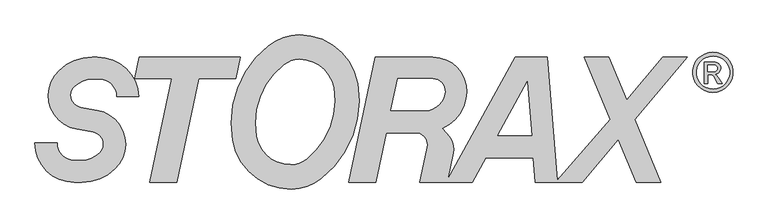
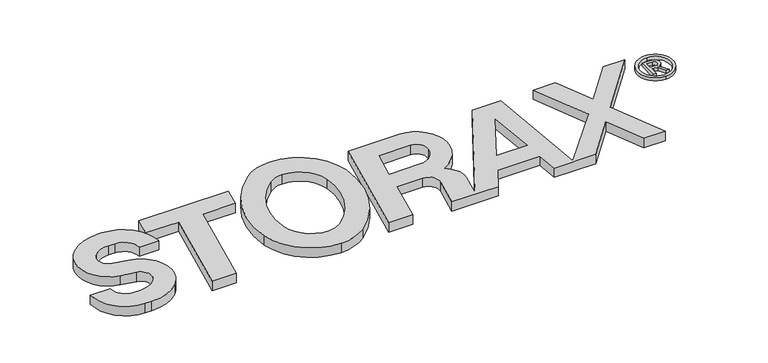
"""IFC4 building model written with IfcOpenShell, lengths in millimetres: proxy geometry."""

from ifc_helpers import new_model, si_unit, point, frame_2d, origin, origin_with_axes, place, context, project, spatial, polyline, circle_curve, trimmed, segment, composite_curve, outline, extrude, source, transform, mapped, element, save


def generic_models_096f52e0(model_context):
    return source(origin(), model_context, "Body", "SweptSolid", [
        extrude(outline(composite_curve([segment(trimmed(circle_curve(frame_2d((9872.7614496, 1179.2103098)), 548.6166327), [point((9872.7614496, 630.5936771))], [point((9872.7614496, 1727.8269424))], False, "CARTESIAN"), True, "CONTINUOUS"), segment(trimmed(circle_curve(frame_2d((9872.7614496, 1179.2103098)), 548.6166327), [point((9872.7614496, 1727.8269424))], [point((9872.7614496, 630.5936771))], False, "CARTESIAN"), True, "CONTINUOUS")], self_intersect=False), holes=[composite_curve([segment(trimmed(circle_curve(frame_2d((9878.2093475, 1172.778525)), 450.0), [point((9878.2093475, 722.778525))], [point((9878.2093475, 1622.778525))], True, "CARTESIAN"), True, "CONTINUOUS"), segment(trimmed(circle_curve(frame_2d((9878.2093475, 1172.778525)), 450.0), [point((9878.2093475, 1622.778525))], [point((9878.2093475, 722.778525))], True, "CARTESIAN"), True, "CONTINUOUS")], self_intersect=False)]), origin_with_axes(), (0.0, 0.0, 1.0), 100.0),
        extrude(outline(composite_curve([segment(polyline([(9635.705698, 871.0432862), (9635.705698, 1459.668388), (9872.1367566, 1459.668388)]), True, "CONTINUOUS"), segment(trimmed(circle_curve(frame_2d((9872.1367566, 1224.3498628)), 235.3185252), [point((9872.1367566, 1459.668388))], [point((9938.6568366, 1450.0706799))], False, "CARTESIAN"), True, "CONTINUOUS"), segment(trimmed(circle_curve(frame_2d((9926.5822522, 1291.7445574)), 158.785883), [point((9938.6568366, 1450.0706799))], [point((9922.0411045, 1133.0236243))], False, "CARTESIAN"), True, "CONTINUOUS"), segment(trimmed(circle_curve(frame_2d((9729.8513881, 848.0906522)), 343.6912651), [point((9922.0411045, 1133.0236243))], [point((10014.7843602, 1040.2803686))], False, "CARTESIAN"), True, "CONTINUOUS"), segment(polyline([(10014.7843602, 1040.2803686), (10128.9362136, 871.0432862), (10010.6600767, 871.0432862), (9894.8864617, 1071.5690696)]), True, "CONTINUOUS"), segment(trimmed(circle_curve(frame_2d((9792.0818651, 985.3057705)), 134.2018698), [point((9894.8864617, 1071.5690696))], [point((9792.0818651, 1119.5076403))], True, "CARTESIAN"), True, "CONTINUOUS"), segment(polyline([(9792.0818651, 1119.5076403), (9732.8204519, 1119.5076403), (9732.8204519, 871.0432862), (9635.705698, 871.0432862)]), True, "CONTINUOUS")], self_intersect=False), holes=[composite_curve([segment(polyline([(9899.2267019, 1377.3469944), (9732.8204519, 1377.3469944), (9732.8204519, 1196.4437331), (9899.2267019, 1196.4437331)]), True, "CONTINUOUS"), segment(trimmed(circle_curve(frame_2d((9899.2267019, 1286.8953638)), 90.4516306), [point((9899.2267019, 1196.4437331))], [point((9899.2267019, 1377.3469944))], True, "CARTESIAN"), True, "CONTINUOUS")], self_intersect=False)]), origin_with_axes(), (0.0, 0.0, 1.0), 100.0),
        extrude(outline(composite_curve([segment(trimmed(circle_curve(frame_2d((-7001.7950715, 278.0159861)), 1312.6339286), [point((-7905.6748947, 1229.8610867))], [point((-7001.7950715, 1590.6499147))], False, "CARTESIAN"), True, "CONTINUOUS"), segment(polyline([(-7001.7950715, 1590.6499147), (-6860.4815731, 1590.6499147)]), True, "CONTINUOUS"), segment(trimmed(circle_curve(frame_2d((-6860.4815731, 460.6516364)), 1129.9982783), [point((-6860.4815731, 1590.6499147))], [point((-5732.1200715, 521.4499147))], False, "CARTESIAN"), True, "CONTINUOUS"), segment(polyline([(-5732.1200715, 521.4499147), (-6333.5450715, 521.4499147)]), True, "CONTINUOUS"), segment(trimmed(circle_curve(frame_2d((-6801.3200715, 521.4499147)), 467.775), [point((-6333.5450715, 521.4499147))], [point((-6801.3200715, 989.2249147))], True, "CARTESIAN"), True, "CONTINUOUS"), segment(polyline([(-6801.3200715, 989.2249147), (-7001.7950715, 989.2249147)]), True, "CONTINUOUS"), segment(trimmed(circle_curve(frame_2d((-7001.7950715, 278.0159861)), 711.2089286), [point((-7001.7950715, 989.2249147))], [point((-7491.5335939, 793.7429679))], True, "CARTESIAN"), True, "CONTINUOUS"), segment(trimmed(circle_curve(frame_2d((-7261.4550935, 551.4551241)), 334.125), [point((-7491.5335939, 793.7429679))], [point((-7319.4752908, 222.4062336))], True, "CARTESIAN"), True, "CONTINUOUS"), segment(polyline([(-7319.4752908, 222.4062336), (-6869.7447123, 143.1065986)]), True, "CONTINUOUS"), segment(trimmed(circle_curve(frame_2d((-7032.2012649, -778.2302948)), 935.55), [point((-6869.7447123, 143.1065986))], [point((-6387.9814636, -1456.6362574))], False, "CARTESIAN"), True, "CONTINUOUS"), segment(trimmed(circle_curve(frame_2d((-7291.8612868, -504.7911568)), 1312.6339286), [point((-6387.9814636, -1456.6362574))], [point((-7291.8612868, -1817.4250853))], False, "CARTESIAN"), True, "CONTINUOUS"), segment(polyline([(-7291.8612868, -1817.4250853), (-7492.3362868, -1817.4250853)]), True, "CONTINUOUS"), segment(trimmed(circle_curve(frame_2d((-7492.3362868, -748.2250853)), 1069.2), [point((-7492.3362868, -1817.4250853))], [point((-8561.5362868, -748.2250853))], False, "CARTESIAN"), True, "CONTINUOUS"), segment(polyline([(-8561.5362868, -748.2250853), (-7960.1112868, -748.2250853)]), True, "CONTINUOUS"), segment(trimmed(circle_curve(frame_2d((-7492.3362868, -748.2250853)), 467.775), [point((-7960.1112868, -748.2250853))], [point((-7492.3362868, -1216.0000853))], True, "CARTESIAN"), True, "CONTINUOUS"), segment(polyline([(-7492.3362868, -1216.0000853), (-7291.8612868, -1216.0000853)]), True, "CONTINUOUS"), segment(trimmed(circle_curve(frame_2d((-7291.8612868, -504.7911568)), 711.2089286), [point((-7291.8612868, -1216.0000853))], [point((-6802.1227644, -1020.5181386))], True, "CARTESIAN"), True, "CONTINUOUS"), segment(trimmed(circle_curve(frame_2d((-7032.2012649, -778.2302948)), 334.125), [point((-6802.1227644, -1020.5181386))], [point((-6974.1810675, -449.1814043))], True, "CARTESIAN"), True, "CONTINUOUS"), segment(polyline([(-6974.1810675, -449.1814043), (-7423.9116461, -369.8817692)]), True, "CONTINUOUS"), segment(trimmed(circle_curve(frame_2d((-7261.4550935, 551.4551241)), 935.55), [point((-7423.9116461, -369.8817692))], [point((-7905.6748947, 1229.8610867))], False, "CARTESIAN"), True, "CONTINUOUS")], self_intersect=False)), origin_with_axes(), (0.0, 0.0, 1.0), 300.0),
        extrude(outline(polyline([(-5721.3386058, 1590.6499147), (-2981.5136058, 1590.6499147), (-3106.5568945, 1002.3674939), (-4108.9318945, 1002.3674939), (-4708.2973097, -1817.4250853), (-5443.3723097, -1817.4250853), (-4844.0068945, 1002.3674939), (-5846.3818945, 1002.3674939), (-5721.3386058, 1590.6499147)])), origin_with_axes(), (0.0, 0.0, 1.0), 300.0),
        extrude(outline(composite_curve([segment(trimmed(circle_curve(frame_2d((-515.7591343, -215.4748575)), 2712.988045), [point((-3188.6644711, -680.1050253))], [point((-2200.1703368, 1911.2745478))], False, "CARTESIAN"), True, "CONTINUOUS"), segment(trimmed(circle_curve(frame_2d((-1370.3784119, 863.57344)), 1336.5), [point((-2200.1703368, 1911.2745478))], [point((-1377.2806665, 2200.0556168))], False, "CARTESIAN"), True, "CONTINUOUS"), segment(trimmed(circle_curve(frame_2d((-1368.969778, 590.8199449)), 1609.2571325), [point((-1377.2806665, 2200.0556168))], [point((214.9208663, 875.4230815))], False, "CARTESIAN"), True, "CONTINUOUS"), segment(trimmed(circle_curve(frame_2d((-2457.9844705, 410.7929137)), 2712.988045), [point((214.9208663, 875.4230815))], [point((-773.573268, -1715.9564916))], False, "CARTESIAN"), True, "CONTINUOUS"), segment(trimmed(circle_curve(frame_2d((-1603.3651929, -668.2553838)), 1336.5), [point((-773.573268, -1715.9564916))], [point((-1596.4629383, -2004.7375606))], False, "CARTESIAN"), True, "CONTINUOUS"), segment(trimmed(circle_curve(frame_2d((-1604.7738268, -395.5018887)), 1609.2571325), [point((-1596.4629383, -2004.7375606))], [point((-3188.6644711, -680.1050253))], False, "CARTESIAN"), True, "CONTINUOUS")], self_intersect=False), holes=[composite_curve([segment(trimmed(circle_curve(frame_2d((-1604.7738268, -395.5018887)), 941.0071325), [point((-2530.6320296, -563.6714808))], [point((-1599.9140656, -1336.4964722))], True, "CARTESIAN"), True, "CONTINUOUS"), segment(trimmed(circle_curve(frame_2d((-1603.3651929, -668.2553838)), 668.25), [point((-1599.9140656, -1336.4964722))], [point((-1188.4692304, -1192.1059377))], True, "CARTESIAN"), True, "CONTINUOUS"), segment(trimmed(circle_curve(frame_2d((-2457.9844705, 410.7929137)), 2044.738045), [point((-1188.4692304, -1192.1059377))], [point((-443.1115752, 758.989537))], True, "CARTESIAN"), True, "CONTINUOUS"), segment(trimmed(circle_curve(frame_2d((-1368.969778, 590.8199449)), 941.0071325), [point((-443.1115752, 758.989537))], [point((-1373.8295392, 1531.8145284))], True, "CARTESIAN"), True, "CONTINUOUS"), segment(trimmed(circle_curve(frame_2d((-1370.3784119, 863.57344)), 668.25), [point((-1373.8295392, 1531.8145284))], [point((-1785.2743744, 1387.4239939))], True, "CARTESIAN"), True, "CONTINUOUS"), segment(trimmed(circle_curve(frame_2d((-515.7591343, -215.4748575)), 2044.738045), [point((-1785.2743744, 1387.4239939))], [point((-2530.6320296, -563.6714808))], True, "CARTESIAN"), True, "CONTINUOUS")], self_intersect=False)]), origin_with_axes(), (0.0, 0.0, 1.0), 300.0),
        extrude(outline(composite_curve([segment(polyline([(693.8613942, 1590.6499147), (2257.6412982, 1590.6499147)]), True, "CONTINUOUS"), segment(trimmed(circle_curve(frame_2d((2257.6412982, 668.2424939)), 922.4074208), [point((2257.6412982, 1590.6499147))], [point((3155.4621084, 456.692872))], False, "CARTESIAN"), True, "CONTINUOUS"), segment(trimmed(circle_curve(frame_2d((2052.6875674, 668.2424939)), 1122.8824208), [point((3155.4621084, 456.692872))], [point((2518.7121042, -353.3670509))], False, "CARTESIAN"), True, "CONTINUOUS"), segment(trimmed(circle_curve(frame_2d((1553.4341255, -1366.7156255)), 1399.5130974), [point((2518.7121042, -353.3670509))], [point((2742.9548189, -629.3707741))], False, "CARTESIAN"), True, "CONTINUOUS"), segment(trimmed(circle_curve(frame_2d((2288.5698161, -911.0291296)), 534.6), [point((2742.9548189, -629.3707741))], [point((2811.4875235, -1022.1787196))], False, "CARTESIAN"), True, "CONTINUOUS"), segment(polyline([(2811.4875235, -1022.1787196), (2660.2986765, -1733.4663214), (4502.8863942, 1590.6499147), (5371.6113942, 1590.6499147), (5645.2980204, -1764.9531268), (7080.9820422, -113.3875853), (6373.9863942, 1590.6499147), (7042.2363942, 1590.6499147), (7528.2959022, 419.1241334), (8512.3863942, 1590.6499147), (9180.6363942, 1590.6499147), (7749.2320422, -113.3875853), (8456.2276903, -1817.4250853), (7787.9776903, -1817.4250853), (7301.9181822, -645.8993041), (6317.8276903, -1817.4250853), (5046.1556031, -1817.4250853), (4991.6524078, -1149.1750853), (3692.4448155, -1149.1750853), (3327.6538931, -1817.4250853), (1907.3776903, -1817.4250853), (2108.4666311, -871.3759998)]), True, "CONTINUOUS"), segment(trimmed(circle_curve(frame_2d((1781.643064, -801.9075061)), 334.125), [point((2108.4666311, -871.3759998))], [point((1781.643064, -467.7825061))], True, "CARTESIAN"), True, "CONTINUOUS"), segment(polyline([(1781.643064, -467.7825061), (991.4030764, -467.7825061), (704.5276903, -1817.4250853), (-30.5473097, -1817.4250853), (693.8613942, 1590.6499147)]), True, "CONTINUOUS")], self_intersect=False), holes=[composite_curve([segment(polyline([(1303.8931055, 1002.3674939), (1119.2399065, 133.6424939), (2052.6875674, 133.6424939)]), True, "CONTINUOUS"), segment(trimmed(circle_curve(frame_2d((2052.6875674, 668.2424939)), 534.6), [point((2052.6875674, 133.6424939))], [point((2580.03507, 580.4827565))], True, "CARTESIAN"), True, "CONTINUOUS"), segment(trimmed(circle_curve(frame_2d((2257.6412982, 668.2424939)), 334.125), [point((2580.03507, 580.4827565))], [point((2257.6412982, 1002.3674939))], True, "CARTESIAN"), True, "CONTINUOUS"), segment(polyline([(2257.6412982, 1002.3674939), (1303.8931055, 1002.3674939)]), True, "CONTINUOUS")], self_intersect=False), polyline([(4020.7566456, -547.7500853), (4942.599532, -547.7500853), (4822.7710375, 921.437015), (4020.7566456, -547.7500853)])]), origin_with_axes(), (0.0, 0.0, 1.0), 300.0),
    ])


if __name__ == "__main__":
    model = new_model("IFC4")
    model_context = context("Model", 3, world=origin())
    ifc_project = project(units=[si_unit("LENGTHUNIT", "METRE", prefix="MILLI")], contexts=[model_context])
    site = spatial("IfcSite", under=ifc_project)
    building = spatial("IfcBuilding", under=site)
    placement = place(None, origin())
    generic_models_shape = generic_models_096f52e0(model_context)
    element("IfcBuildingElementProxy", 1, Name="Generic Models", at=placement, inside=building, context=model_context, shape_type="MappedRepresentation", body=[
        mapped(generic_models_shape, transform((0.0, 0.0, 0.0), x_axis=(1.0, 0.0, 0.0), y_axis=(0.0, 1.0, 0.0), z_axis=(0.0, 0.0, 1.0))),
    ])
    save(model, "model.ifc")
